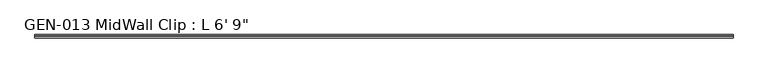
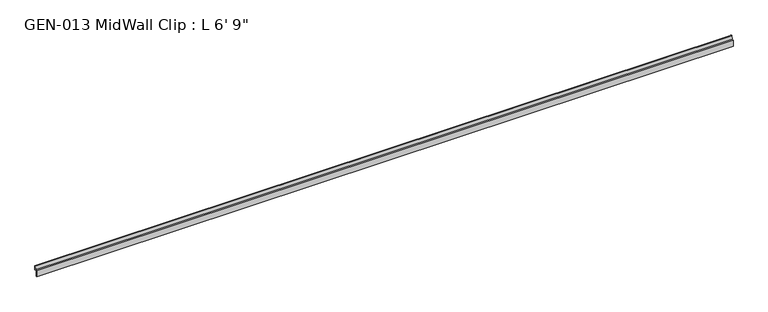
"""IFC4 building model written with IfcOpenShell, lengths in millimetres: proxy geometry."""

from ifc_helpers import new_model, si_unit, point, frame, frame_2d, origin, place, context, project, spatial, polyline, circle_curve, trimmed, segment, composite_curve, outline, extrude, source, transform, mapped, element, save


def proxy_b7595848(model_context):
    return source(origin(), model_context, "Body", "SweptSolid", [
        extrude(outline(composite_curve([segment(polyline([(-3.1877, 1.1238237), (-3.1877, -13.4811763), (-1.6129, -13.4811763), (-1.6129, -15.0559763), (-4.7625, -15.0559763), (-4.7625, 3.9686237), (0.630157, 3.9686237), (2.4411308, 14.5447106)]), True, "CONTINUOUS"), segment(trimmed(circle_curve(frame_2d((3.5698235, 13.3878692)), 1.6162393), [point((2.4411308, 14.5447106))], [point((4.7625, 14.4786268))], False, "CARTESIAN"), True, "CONTINUOUS"), segment(polyline([(4.7625, 14.4786268), (4.7625, 2.3938237), (-1.9177, 2.3938237)]), True, "CONTINUOUS"), segment(trimmed(circle_curve(frame_2d((-1.9177, 1.1238237)), 1.27), [point((-1.9177, 2.3938237))], [point((-3.1877, 1.1238237))], True, "CARTESIAN"), True, "CONTINUOUS")], self_intersect=False)), frame((0.0, 0.0, 0.0), z_axis=(1.0, 0.0, 0.0), x_axis=(0.0, 1.0, 0.0)), (0.0, 0.0, 1.0), 2057.4),
    ])


if __name__ == "__main__":
    model = new_model("IFC4")
    model_context = context("Model", 3, world=origin())
    ifc_project = project(units=[si_unit("LENGTHUNIT", "METRE", prefix="MILLI")], contexts=[model_context])
    site = spatial("IfcSite", under=ifc_project)
    building = spatial("IfcBuilding", under=site)
    placement = place(None, origin())
    proxy_shape = proxy_b7595848(model_context)
    element("IfcBuildingElementProxy", 1, Name="GEN-013 MidWall Clip : L 6' 9\"", ObjectType="GEN-013 MidWall Clip : L 6' 9\"", at=placement, inside=building, context=model_context, shape_type="MappedRepresentation", body=[
        mapped(proxy_shape, transform((0.0, 0.0, 0.0), x_axis=(1.0, 0.0, 0.0), y_axis=(0.0, 1.0, 0.0), z_axis=(0.0, 0.0, 1.0))),
    ])
    save(model, "model.ifc")
